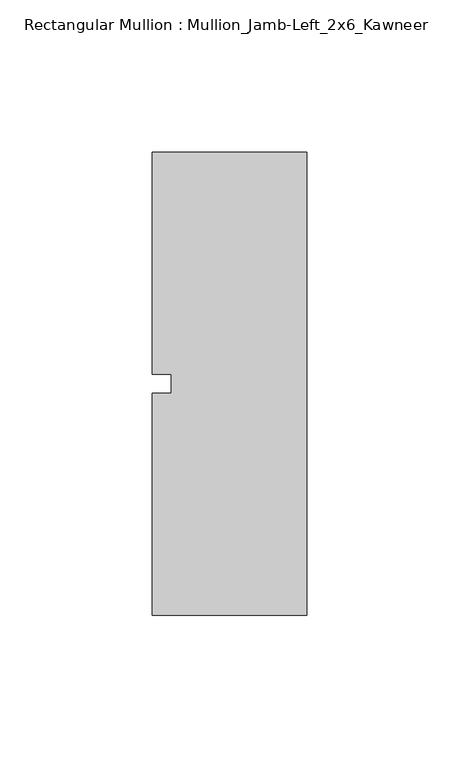
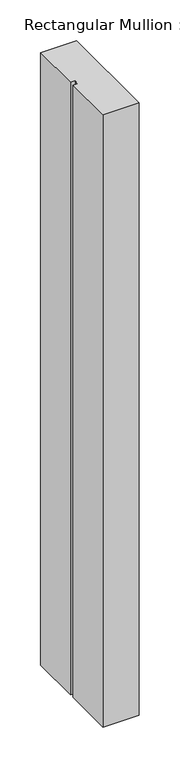
"""IFC4 building model written with IfcOpenShell, lengths in millimetres: member geometry, Rectangular Mullion : Mullion_Jamb-Left_2x6_Kawneer."""

from ifc_helpers import new_model, si_unit, frame, origin, place, context, project, spatial, polyline, outline, extrude, source, transform, mapped, element, save


def rectangular_mullion_mullion_jamb_left_2x6_kawneer_b6b44bf5(model_context):
    return source(origin(), model_context, "Body", "SweptSolid", [
        extrude(outline(polyline([(-50.8, 76.2), (0.0, 76.2), (0.0, -76.2), (-50.8, -76.2), (-50.8, -3.175), (-44.45, -3.175), (-44.45, 3.175), (-50.8, 3.175), (-50.8, 76.2)])), frame((0.0, 0.0, -914.4), z_axis=(0.0, 0.0, 1.0), x_axis=(1.0, 0.0, 0.0)), (0.0, 0.0, 1.0), 914.4),
    ])


if __name__ == "__main__":
    model = new_model("IFC4")
    model_context = context("Model", 3, world=origin())
    ifc_project = project(units=[si_unit("LENGTHUNIT", "METRE", prefix="MILLI")], contexts=[model_context])
    site = spatial("IfcSite", under=ifc_project)
    building = spatial("IfcBuilding", under=site)
    placement = place(None, origin())
    rectangular_mullion_mullion_jamb_left_2x6_kawneer_shape = rectangular_mullion_mullion_jamb_left_2x6_kawneer_b6b44bf5(model_context)
    element("IfcMember", 1, ObjectType="Rectangular Mullion : Mullion_Jamb-Left_2x6_Kawneer", at=placement, inside=building, context=model_context, shape_type="MappedRepresentation", body=[
        mapped(rectangular_mullion_mullion_jamb_left_2x6_kawneer_shape, transform((0.0, 0.0, 0.0), x_axis=(1.0, 0.0, 0.0), y_axis=(0.0, 1.0, 0.0), z_axis=(0.0, 0.0, 1.0))),
    ])
    save(model, "model.ifc")
